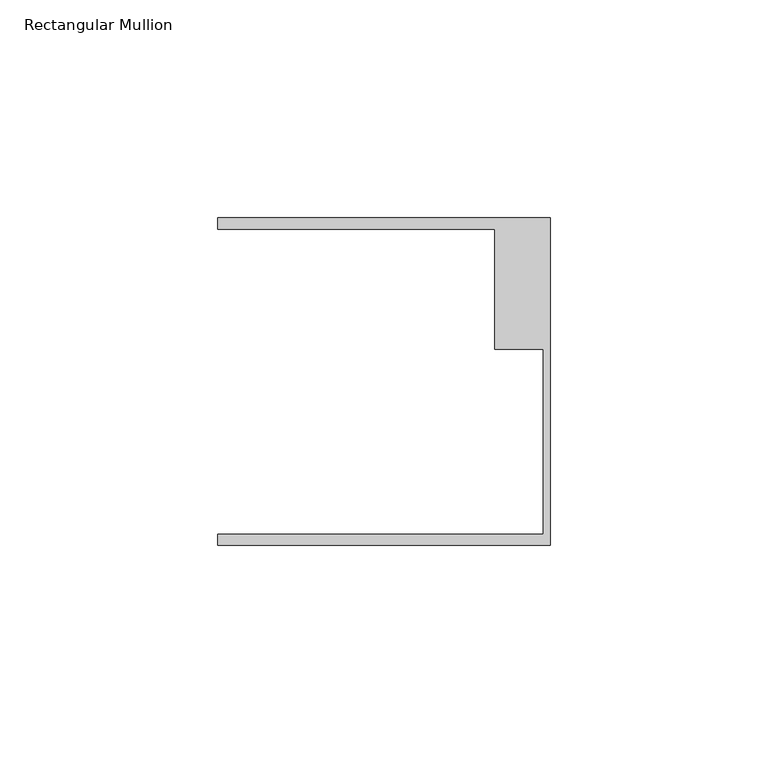
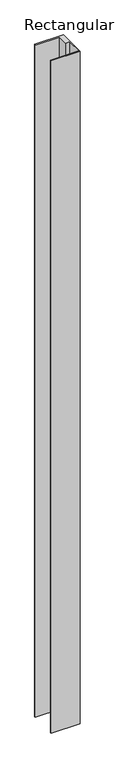
"""IFC4 building model written with IfcOpenShell, lengths in millimetres: member geometry, Rectangular Mullion."""

from ifc_helpers import new_model, si_unit, frame, origin, place, context, project, spatial, polyline, outline, extrude, source, transform, mapped, element, save


def rectangular_mullion_afd3966a(model_context):
    return source(origin(), model_context, "Body", "SweptSolid", [
        extrude(outline(polyline([(0.0, -37.5776386), (-76.2, -37.5776386), (-76.2, -35.0376386), (-1.5875, -35.0376386), (-1.5875, 7.3398614), (-12.7, 7.3398614), (-12.7, 34.9623614), (-76.2, 34.9623614), (-76.2, 37.5023614), (0.0, 37.5023614), (0.0, -37.5776386)])), frame((0.0, 0.0, -1871.45), z_axis=(0.0, 0.0, 1.0), x_axis=(1.0, 0.0, 0.0)), (0.0, 0.0, 1.0), 1871.45),
    ])


if __name__ == "__main__":
    model = new_model("IFC4")
    model_context = context("Model", 3, world=origin())
    ifc_project = project(units=[si_unit("LENGTHUNIT", "METRE", prefix="MILLI")], contexts=[model_context])
    site = spatial("IfcSite", under=ifc_project)
    building = spatial("IfcBuilding", under=site)
    placement = place(None, origin())
    rectangular_mullion_shape = rectangular_mullion_afd3966a(model_context)
    element("IfcMember", 1, ObjectType="Rectangular Mullion", at=placement, inside=building, context=model_context, shape_type="MappedRepresentation", body=[
        mapped(rectangular_mullion_shape, transform((0.0, 0.0, 0.0), x_axis=(1.0, 0.0, 0.0), y_axis=(0.0, 1.0, 0.0), z_axis=(0.0, 0.0, 1.0))),
    ])
    save(model, "model.ifc")
